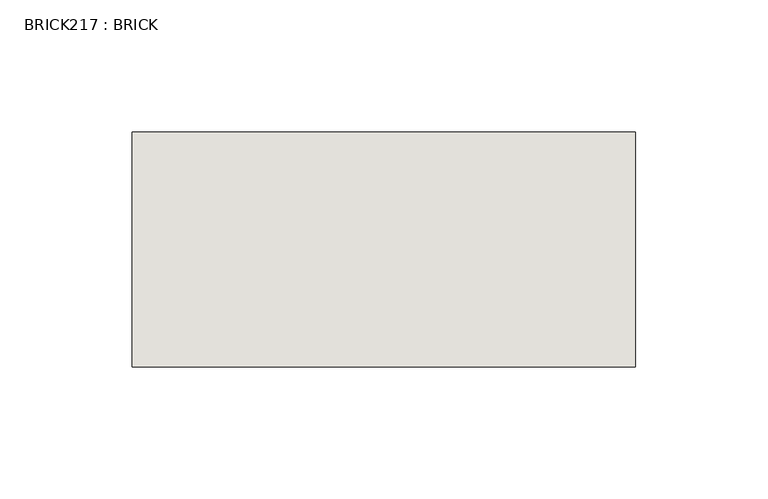
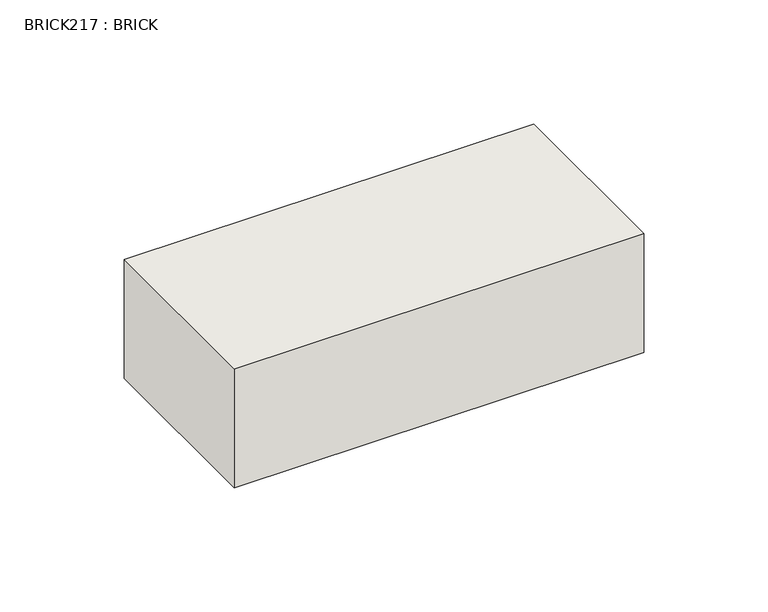
"""IFC4 building model written with IfcOpenShell, lengths in millimetres: wall geometry, BRICK217 : BRICK."""

from ifc_helpers import new_model, si_unit, frame, origin, place, context, project, spatial, polyline, outline, extrude, source, transform, mapped, element, save


def brick217_brick_4cbcb1ba(model_context):
    return source(origin(), model_context, "Body", "SweptSolid", [
        extrude(outline(polyline([(-1175.1316239, 3062.3923312), (-984.6316239, 3062.3923312), (-984.6316239, 2973.4923312), (-1175.1316239, 2973.4923312), (-1175.1316239, 3062.3923312)])), frame((0.0, 0.0, 493.4148438), z_axis=(0.0, 0.0, 1.0), x_axis=(1.0, 0.0, 0.0)), (0.0, 0.0, 1.0), 58.4398438),
    ])


if __name__ == "__main__":
    model = new_model("IFC4")
    model_context = context("Model", 3, world=origin())
    ifc_project = project(units=[si_unit("LENGTHUNIT", "METRE", prefix="MILLI")], contexts=[model_context])
    site = spatial("IfcSite", under=ifc_project)
    building = spatial("IfcBuilding", under=site)
    placement = place(None, origin())
    brick217_brick_shape = brick217_brick_4cbcb1ba(model_context)
    element("IfcWall", 1, ObjectType="BRICK217 : BRICK", at=placement, inside=building, context=model_context, shape_type="MappedRepresentation", body=[
        mapped(brick217_brick_shape, transform((0.0, 0.0, 0.0), x_axis=(1.0, 0.0, 0.0), y_axis=(0.0, 1.0, 0.0), z_axis=(0.0, 0.0, 1.0))),
    ])
    save(model, "model.ifc")
